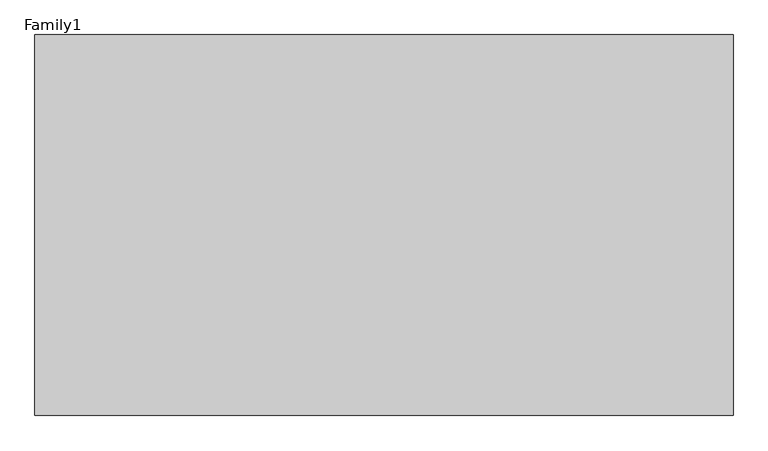
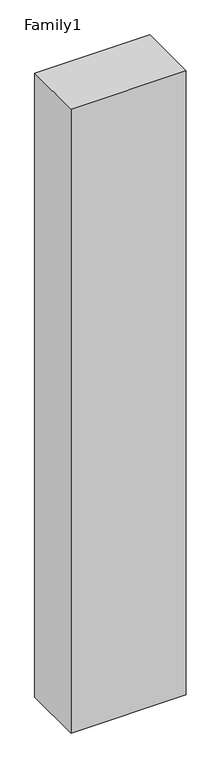
"""IFC4 building model written with IfcOpenShell, lengths in millimetres: proxy geometry, Family1."""

from ifc_helpers import new_model, si_unit, origin, origin_with_axes, place, context, project, spatial, polyline, outline, extrude, source, transform, mapped, element, save


def family1_fa76c40e(model_context):
    return source(origin(), model_context, "Body", "SweptSolid", [
        extrude(outline(polyline([(5500.0, 0.0), (0.0, 0.0), (0.0, 3000.0), (5500.0, 3000.0), (5500.0, 0.0)])), origin_with_axes(), (0.0, 0.0, 1.0), 31500.0),
    ])


if __name__ == "__main__":
    model = new_model("IFC4")
    model_context = context("Model", 3, world=origin())
    ifc_project = project(units=[si_unit("LENGTHUNIT", "METRE", prefix="MILLI")], contexts=[model_context])
    site = spatial("IfcSite", under=ifc_project)
    building = spatial("IfcBuilding", under=site)
    placement = place(None, origin())
    family1_shape = family1_fa76c40e(model_context)
    element("IfcBuildingElementProxy", 1, Name="Family1", ObjectType="Family1", at=placement, inside=building, context=model_context, shape_type="MappedRepresentation", body=[
        mapped(family1_shape, transform((0.0, 0.0, 0.0), x_axis=(1.0, 0.0, 0.0), y_axis=(0.0, 1.0, 0.0), z_axis=(0.0, 0.0, 1.0))),
    ])
    save(model, "model.ifc")
